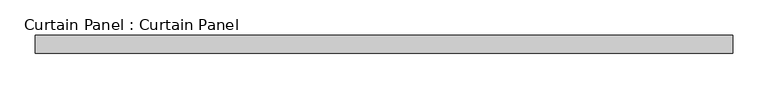
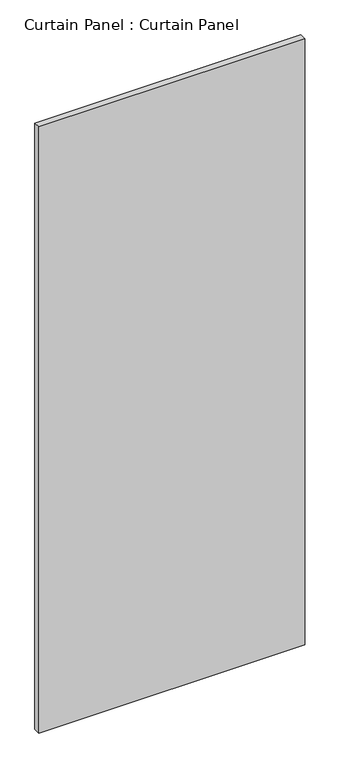
"""IFC4 building model written with IfcOpenShell, lengths in millimetres: plate geometry, Curtain Panel : Curtain Panel."""

from ifc_helpers import new_model, si_unit, frame, origin, place, context, project, spatial, polyline, outline, extrude, source, transform, mapped, element, save


def curtain_panel_curtain_panel_5b218edb(model_context):
    return source(origin(), model_context, "Body", "SweptSolid", [
        extrude(outline(polyline([(-172893.0080404, 7403.2117994), (-173878.8880689, 7403.2117994), (-173878.8880689, 7428.6117994), (-172893.0080404, 7428.6117994), (-172893.0080404, 7403.2117994)])), frame((0.0, 0.0, 46.0375), z_axis=(0.0, 0.0, 1.0), x_axis=(1.0, 0.0, 0.0)), (0.0, 0.0, 1.0), 2374.9),
    ])


if __name__ == "__main__":
    model = new_model("IFC4")
    model_context = context("Model", 3, world=origin())
    ifc_project = project(units=[si_unit("LENGTHUNIT", "METRE", prefix="MILLI")], contexts=[model_context])
    site = spatial("IfcSite", under=ifc_project)
    building = spatial("IfcBuilding", under=site)
    placement = place(None, origin())
    curtain_panel_curtain_panel_shape = curtain_panel_curtain_panel_5b218edb(model_context)
    element("IfcPlate", 1, ObjectType="Curtain Panel : Curtain Panel", at=placement, inside=building, context=model_context, shape_type="MappedRepresentation", body=[
        mapped(curtain_panel_curtain_panel_shape, transform((0.0, 0.0, 0.0), x_axis=(1.0, 0.0, 0.0), y_axis=(0.0, 1.0, 0.0), z_axis=(0.0, 0.0, 1.0))),
    ])
    save(model, "model.ifc")
